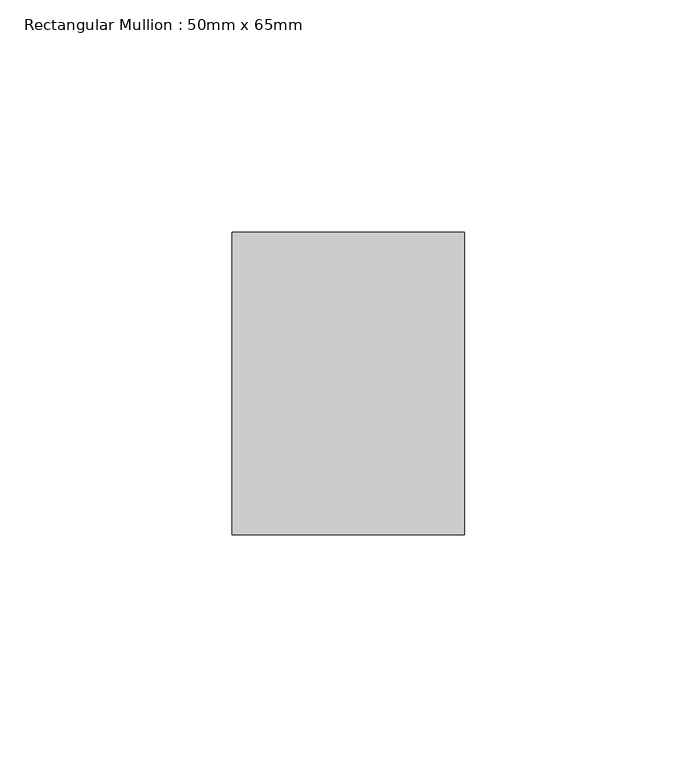
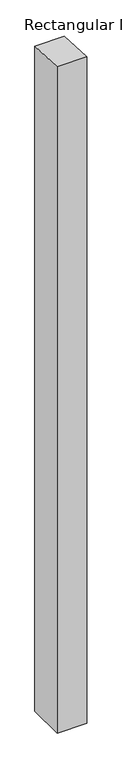
"""IFC4 building model written with IfcOpenShell, lengths in millimetres: member geometry, Rectangular Mullion : 50mm x 65mm."""

import ifcopenshell
import ifcopenshell.guid

model = None  # the IFC model being written
_history = None  # IfcOwnerHistory: only IFC2X3 demands one
_inside = {}  # id of a spatial element -> (the spatial element, [elements in it])
_under = {}  # id of a project, library or spatial element -> (it, [spatial elements below it])
_declared = {}  # id of a project -> (the project, [libraries it declares])
_typed = {}  # id of a type object -> (the type object, [elements of that type])
_made_of = {}  # id of a material, layer set ... -> (it, [elements and type objects made of it])


def new_model(schema):
    """Start an empty IFC model of exactly this schema.

    Asked for "IFC4X3", IfcOpenShell would pick the latest addendum, in which some entities
    have other attributes; the version numbers below select the first issue.
    IFC2X3 requires an IfcOwnerHistory on every rooted entity: one is made here for all.
    """
    global model, _history
    if schema == "IFC4X3":
        model = ifcopenshell.file(schema_version=(4, 3, 0, 0))
    else:
        model = ifcopenshell.file(schema=schema)
    _inside.clear()
    _under.clear()
    _declared.clear()
    _typed.clear()
    _made_of.clear()
    _history = None
    if model.schema == "IFC2X3":
        org = make("IfcOrganization", Name="unknown")
        user = make(
            "IfcPersonAndOrganization",
            ThePerson=make("IfcPerson", FamilyName="unknown"),
            TheOrganization=org,
        )
        app = make(
            "IfcApplication",
            ApplicationDeveloper=org,
            Version="unknown",
            ApplicationFullName="unknown",
            ApplicationIdentifier="unknown",
        )
        _history = make(
            "IfcOwnerHistory",
            OwningUser=user,
            OwningApplication=app,
            ChangeAction="ADDED",
            CreationDate=0,
        )
    return model


def make(cls, **values):
    """One entity of the class cls with the attributes given. An attribute that is None is left unset."""
    return model.create_entity(
        cls, **{name: value for name, value in values.items() if value is not None}
    )


def rooted(cls, **values):
    """An entity with a GlobalId (a new one), such as an element, a storey or a relation."""
    return make(cls, GlobalId=ifcopenshell.guid.new(), OwnerHistory=_history, **values)


def si_unit(unit_type, name, prefix=None):
    """IfcSIUnit, for example si_unit("LENGTHUNIT", "METRE", prefix="MILLI")."""
    return make("IfcSIUnit", UnitType=unit_type, Prefix=prefix, Name=name)


def assignment(units):
    """IfcUnitAssignment: the units of a project."""
    return None if units is None else make("IfcUnitAssignment", Units=units)


def point(xyz):
    """IfcCartesianPoint."""
    return None if xyz is None else make("IfcCartesianPoint", Coordinates=xyz)


def direction(xyz):
    """IfcDirection."""
    return None if xyz is None else make("IfcDirection", DirectionRatios=xyz)


def frame(location, z_axis=None, x_axis=None):
    """IfcAxis2Placement3D, a coordinate frame: its origin and axes. An axis left out is left unset."""
    return make(
        "IfcAxis2Placement3D",
        Location=point(location),
        Axis=direction(z_axis),
        RefDirection=direction(x_axis),
    )


def origin():
    """The frame at (0, 0, 0) with its axes left unset."""
    return frame((0.0, 0.0, 0.0))


def place(relative_to, where):
    """IfcLocalPlacement: puts the frame where relative to a parent placement (None: the world)."""
    return make(
        "IfcLocalPlacement", PlacementRelTo=relative_to, RelativePlacement=where
    )


def context(
    kind, dimensions, precision=None, world=None, true_north=None, identifier=None
):
    """IfcGeometricRepresentationContext, for example the 3D "Model" context."""
    return make(
        "IfcGeometricRepresentationContext",
        ContextIdentifier=identifier,
        ContextType=kind,
        CoordinateSpaceDimension=dimensions,
        Precision=precision,
        WorldCoordinateSystem=world,
        TrueNorth=true_north,
    )


def project(units=None, contexts=None):
    """IfcProject with its units and contexts."""
    return rooted(
        "IfcProject",
        Name="project",
        RepresentationContexts=contexts,
        UnitsInContext=assignment(units),
    )


def spatial(cls, under=None, at=None, **own):
    """A site, building, storey or space (cls), placed at a placement, below another one or the project."""
    s = rooted(cls, ObjectPlacement=at, **own)
    if under is not None:
        _under.setdefault(under.id(), (under, []))[1].append(s)
    return s


def polyline(points):
    """IfcPolyline through the points."""
    return make("IfcPolyline", Points=[point(p) for p in points])


def outline(outer, holes=None, kind="AREA"):
    """IfcArbitraryClosedProfileDef: a profile drawn as a closed curve; with holes, ...WithVoids."""
    if holes is None:
        return make("IfcArbitraryClosedProfileDef", ProfileType=kind, OuterCurve=outer)
    return make(
        "IfcArbitraryProfileDefWithVoids",
        ProfileType=kind,
        OuterCurve=outer,
        InnerCurves=holes,
    )


def extrude(swept, where, along, depth):
    """IfcExtrudedAreaSolid: the profile swept, set in the frame where, extruded along a direction by depth."""
    return make(
        "IfcExtrudedAreaSolid",
        SweptArea=swept,
        Position=where,
        ExtrudedDirection=direction(along),
        Depth=depth,
    )


def shape(context_of_items, identifier, shape_type, items):
    """IfcShapeRepresentation: the items that make up one representation, for example the "Body"."""
    return make(
        "IfcShapeRepresentation",
        ContextOfItems=context_of_items,
        RepresentationIdentifier=identifier,
        RepresentationType=shape_type,
        Items=items,
    )


def source(mapping_origin, context_of_items, identifier, shape_type, items):
    """IfcRepresentationMap: a shape defined once, which mapped items show again and again."""
    return make(
        "IfcRepresentationMap",
        MappingOrigin=mapping_origin,
        MappedRepresentation=shape(context_of_items, identifier, shape_type, items),
    )


def transform(
    local_origin,
    x_axis=None,
    y_axis=None,
    z_axis=None,
    scale=None,
    scale2=None,
    scale3=None,
    uniform=True,
):
    """IfcCartesianTransformationOperator3D, or its non-uniform kind. x_axis, y_axis, z_axis: its Axis1, 2, 3."""
    if uniform:
        return make(
            "IfcCartesianTransformationOperator3D",
            Axis1=direction(x_axis),
            Axis2=direction(y_axis),
            LocalOrigin=point(local_origin),
            Scale=scale,
            Axis3=direction(z_axis),
        )
    return make(
        "IfcCartesianTransformationOperator3DnonUniform",
        Axis1=direction(x_axis),
        Axis2=direction(y_axis),
        LocalOrigin=point(local_origin),
        Scale=scale,
        Axis3=direction(z_axis),
        Scale2=scale2,
        Scale3=scale3,
    )


def mapped(mapping_source, mapping_target):
    """IfcMappedItem: shows the shape of a source again, moved by a transform."""
    return make(
        "IfcMappedItem", MappingSource=mapping_source, MappingTarget=mapping_target
    )


def made_of(thing, what):
    """Note that an element or type object is made of a material, layer set ...; save() writes the relation."""
    if what is not None:
        _made_of.setdefault(what.id(), (what, []))[1].append(thing)
    return thing


def element(
    cls,
    number,
    at=None,
    inside=None,
    cuts=None,
    type_object=None,
    material=None,
    context=None,
    identifier="Body",
    shape_type=None,
    held_by="IfcProductDefinitionShape",
    body=None,
    shapes=None,
    **own,
):
    """One element of the class cls, such as IfcWall. Its Tag is "e" and its number.

    at: its placement. inside: the storey or other place that contains it. cuts: it is an
    opening in that element (IfcRelVoidsElement). A single representation is given by context,
    identifier, shape_type and body (its items); several are given by shapes. held_by: the class
    of the entity that holds the representations. save() writes the other relations.
    """
    e = rooted(cls, Tag="e%d" % number, ObjectPlacement=at, **own)
    if body is not None:
        shapes = [shape(context, identifier, shape_type, body)]
    if shapes is not None:
        e.Representation = make(held_by, Representations=shapes)
    if inside is not None:
        _inside.setdefault(inside.id(), (inside, []))[1].append(e)
    if cuts is not None:
        rooted(
            "IfcRelVoidsElement", RelatingBuildingElement=cuts, RelatedOpeningElement=e
        )
    if type_object is not None:
        _typed.setdefault(type_object.id(), (type_object, []))[1].append(e)
    return made_of(e, material)


def aggregate(whole, parts):
    """IfcRelAggregates: a whole, such as a stair, and the parts it consists of."""
    return rooted("IfcRelAggregates", RelatingObject=whole, RelatedObjects=parts)


def save(model, path):
    """Write the relations noted so far, then the file.

    IfcRelAggregates (storeys below a building ...), IfcRelContainedInSpatialStructure (elements
    in a storey), IfcRelDefinesByType, IfcRelAssociatesMaterial and IfcRelDeclares: one each for
    every whole, place, type object, material and project.
    """
    for whole, parts in _under.values():
        aggregate(whole, parts)
    for where, things in _inside.values():
        rooted(
            "IfcRelContainedInSpatialStructure",
            RelatedElements=things,
            RelatingStructure=where,
        )
    for kind, things in _typed.values():
        rooted("IfcRelDefinesByType", RelatedObjects=things, RelatingType=kind)
    for what, things in _made_of.values():
        rooted("IfcRelAssociatesMaterial", RelatedObjects=things, RelatingMaterial=what)
    for by, libraries in _declared.values():
        rooted("IfcRelDeclares", RelatingContext=by, RelatedDefinitions=libraries)
    model.write(path)


def rectangular_mullion_50mm_x_65mm_e7cf927c(model_context):
    return source(origin(), model_context, "Body", "SweptSolid", [
        extrude(outline(polyline([(-32.5, 1.2410909), (32.5, -1.2410909), (32.5, -1189.1179381), (-32.5, -1189.1179381), (-32.5, 1.2410909)])), frame((-25.0, 0.0, 0.0), z_axis=(1.0, 0.0, 0.0), x_axis=(0.0, 1.0, 0.0)), (0.0, 0.0, 1.0), 50.0),
    ])


if __name__ == "__main__":
    model = new_model("IFC4")
    model_context = context("Model", 3, world=origin())
    ifc_project = project(units=[si_unit("LENGTHUNIT", "METRE", prefix="MILLI")], contexts=[model_context])
    site = spatial("IfcSite", under=ifc_project)
    building = spatial("IfcBuilding", under=site)
    placement = place(None, origin())
    rectangular_mullion_50mm_x_65mm_shape = rectangular_mullion_50mm_x_65mm_e7cf927c(model_context)
    element("IfcMember", 1, ObjectType="Rectangular Mullion : 50mm x 65mm", at=placement, inside=building, context=model_context, shape_type="MappedRepresentation", body=[
        mapped(rectangular_mullion_50mm_x_65mm_shape, transform((0.0, 0.0, 0.0), x_axis=(1.0, 0.0, 0.0), y_axis=(0.0, 1.0, 0.0), z_axis=(0.0, 0.0, 1.0))),
    ])
    save(model, "model.ifc")
